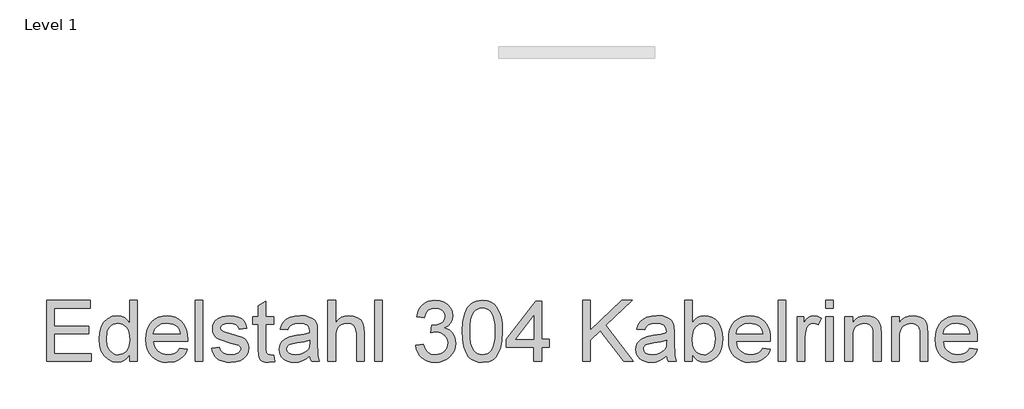
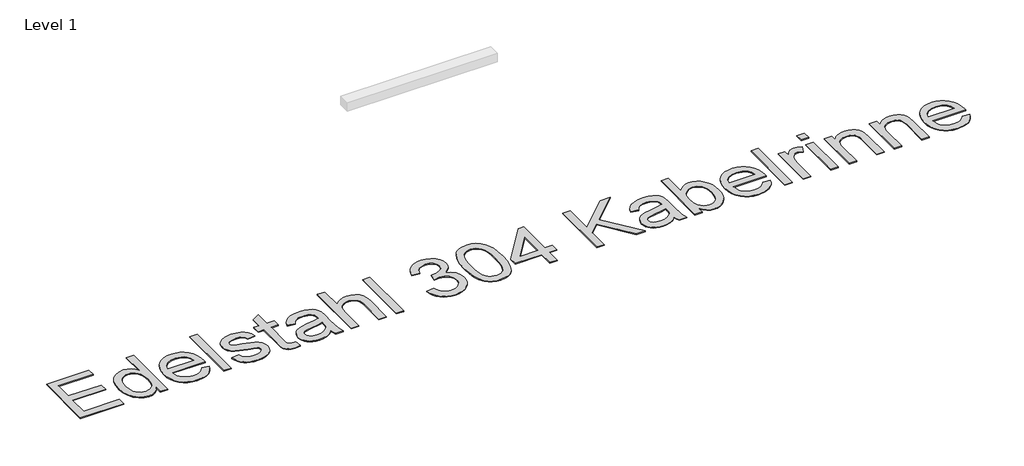
# One storey, part 13 of 15: 1 proxy.
"""IFC4 building model written with IfcOpenShell, lengths in millimetres."""

import ifcopenshell
import ifcopenshell.guid

model = None  # the IFC model being written
_history = None  # IfcOwnerHistory: only IFC2X3 demands one
_inside = {}  # id of a spatial element -> (the spatial element, [elements in it])
_under = {}  # id of a project, library or spatial element -> (it, [spatial elements below it])
_declared = {}  # id of a project -> (the project, [libraries it declares])
_typed = {}  # id of a type object -> (the type object, [elements of that type])
_made_of = {}  # id of a material, layer set ... -> (it, [elements and type objects made of it])


def new_model(schema):
    """Start an empty IFC model of exactly this schema.

    Asked for "IFC4X3", IfcOpenShell would pick the latest addendum, in which some entities
    have other attributes; the version numbers below select the first issue.
    IFC2X3 requires an IfcOwnerHistory on every rooted entity: one is made here for all.
    """
    global model, _history
    if schema == "IFC4X3":
        model = ifcopenshell.file(schema_version=(4, 3, 0, 0))
    else:
        model = ifcopenshell.file(schema=schema)
    _inside.clear()
    _under.clear()
    _declared.clear()
    _typed.clear()
    _made_of.clear()
    _history = None
    if model.schema == "IFC2X3":
        org = make("IfcOrganization", Name="unknown")
        user = make(
            "IfcPersonAndOrganization",
            ThePerson=make("IfcPerson", FamilyName="unknown"),
            TheOrganization=org,
        )
        app = make(
            "IfcApplication",
            ApplicationDeveloper=org,
            Version="unknown",
            ApplicationFullName="unknown",
            ApplicationIdentifier="unknown",
        )
        _history = make(
            "IfcOwnerHistory",
            OwningUser=user,
            OwningApplication=app,
            ChangeAction="ADDED",
            CreationDate=0,
        )
    return model


def make(cls, **values):
    """One entity of the class cls with the attributes given. An attribute that is None is left unset."""
    return model.create_entity(
        cls, **{name: value for name, value in values.items() if value is not None}
    )


def rooted(cls, **values):
    """An entity with a GlobalId (a new one), such as an element, a storey or a relation."""
    return make(cls, GlobalId=ifcopenshell.guid.new(), OwnerHistory=_history, **values)


def si_unit(unit_type, name, prefix=None):
    """IfcSIUnit, for example si_unit("LENGTHUNIT", "METRE", prefix="MILLI")."""
    return make("IfcSIUnit", UnitType=unit_type, Prefix=prefix, Name=name)


def assignment(units):
    """IfcUnitAssignment: the units of a project."""
    return None if units is None else make("IfcUnitAssignment", Units=units)


def point(xyz):
    """IfcCartesianPoint."""
    return None if xyz is None else make("IfcCartesianPoint", Coordinates=xyz)


def direction(xyz):
    """IfcDirection."""
    return None if xyz is None else make("IfcDirection", DirectionRatios=xyz)


def frame(location, z_axis=None, x_axis=None):
    """IfcAxis2Placement3D, a coordinate frame: its origin and axes. An axis left out is left unset."""
    return make(
        "IfcAxis2Placement3D",
        Location=point(location),
        Axis=direction(z_axis),
        RefDirection=direction(x_axis),
    )


def origin():
    """The frame at (0, 0, 0) with its axes left unset."""
    return frame((0.0, 0.0, 0.0))


def origin_with_axes():
    """The frame at (0, 0, 0) with the z axis (0, 0, 1) and the x axis (1, 0, 0) written out."""
    return frame((0.0, 0.0, 0.0), z_axis=(0.0, 0.0, 1.0), x_axis=(1.0, 0.0, 0.0))


def place(relative_to, where):
    """IfcLocalPlacement: puts the frame where relative to a parent placement (None: the world)."""
    return make(
        "IfcLocalPlacement", PlacementRelTo=relative_to, RelativePlacement=where
    )


def context(
    kind, dimensions, precision=None, world=None, true_north=None, identifier=None
):
    """IfcGeometricRepresentationContext, for example the 3D "Model" context."""
    return make(
        "IfcGeometricRepresentationContext",
        ContextIdentifier=identifier,
        ContextType=kind,
        CoordinateSpaceDimension=dimensions,
        Precision=precision,
        WorldCoordinateSystem=world,
        TrueNorth=true_north,
    )


def project(units=None, contexts=None):
    """IfcProject with its units and contexts."""
    return rooted(
        "IfcProject",
        Name="project",
        RepresentationContexts=contexts,
        UnitsInContext=assignment(units),
    )


def spatial(cls, under=None, at=None, **own):
    """A site, building, storey or space (cls), placed at a placement, below another one or the project."""
    s = rooted(cls, ObjectPlacement=at, **own)
    if under is not None:
        _under.setdefault(under.id(), (under, []))[1].append(s)
    return s


def polyline(points):
    """IfcPolyline through the points."""
    return make("IfcPolyline", Points=[point(p) for p in points])


def outline(outer, holes=None, kind="AREA"):
    """IfcArbitraryClosedProfileDef: a profile drawn as a closed curve; with holes, ...WithVoids."""
    if holes is None:
        return make("IfcArbitraryClosedProfileDef", ProfileType=kind, OuterCurve=outer)
    return make(
        "IfcArbitraryProfileDefWithVoids",
        ProfileType=kind,
        OuterCurve=outer,
        InnerCurves=holes,
    )


def extrude(swept, where, along, depth):
    """IfcExtrudedAreaSolid: the profile swept, set in the frame where, extruded along a direction by depth."""
    return make(
        "IfcExtrudedAreaSolid",
        SweptArea=swept,
        Position=where,
        ExtrudedDirection=direction(along),
        Depth=depth,
    )


def shape(context_of_items, identifier, shape_type, items):
    """IfcShapeRepresentation: the items that make up one representation, for example the "Body"."""
    return make(
        "IfcShapeRepresentation",
        ContextOfItems=context_of_items,
        RepresentationIdentifier=identifier,
        RepresentationType=shape_type,
        Items=items,
    )


def made_of(thing, what):
    """Note that an element or type object is made of a material, layer set ...; save() writes the relation."""
    if what is not None:
        _made_of.setdefault(what.id(), (what, []))[1].append(thing)
    return thing


def element(
    cls,
    number,
    at=None,
    inside=None,
    cuts=None,
    type_object=None,
    material=None,
    context=None,
    identifier="Body",
    shape_type=None,
    held_by="IfcProductDefinitionShape",
    body=None,
    shapes=None,
    **own,
):
    """One element of the class cls, such as IfcWall. Its Tag is "e" and its number.

    at: its placement. inside: the storey or other place that contains it. cuts: it is an
    opening in that element (IfcRelVoidsElement). A single representation is given by context,
    identifier, shape_type and body (its items); several are given by shapes. held_by: the class
    of the entity that holds the representations. save() writes the other relations.
    """
    e = rooted(cls, Tag="e%d" % number, ObjectPlacement=at, **own)
    if body is not None:
        shapes = [shape(context, identifier, shape_type, body)]
    if shapes is not None:
        e.Representation = make(held_by, Representations=shapes)
    if inside is not None:
        _inside.setdefault(inside.id(), (inside, []))[1].append(e)
    if cuts is not None:
        rooted(
            "IfcRelVoidsElement", RelatingBuildingElement=cuts, RelatedOpeningElement=e
        )
    if type_object is not None:
        _typed.setdefault(type_object.id(), (type_object, []))[1].append(e)
    return made_of(e, material)


def aggregate(whole, parts):
    """IfcRelAggregates: a whole, such as a stair, and the parts it consists of."""
    return rooted("IfcRelAggregates", RelatingObject=whole, RelatedObjects=parts)


def save(model, path):
    """Write the relations noted so far, then the file.

    IfcRelAggregates (storeys below a building ...), IfcRelContainedInSpatialStructure (elements
    in a storey), IfcRelDefinesByType, IfcRelAssociatesMaterial and IfcRelDeclares: one each for
    every whole, place, type object, material and project.
    """
    for whole, parts in _under.values():
        aggregate(whole, parts)
    for where, things in _inside.values():
        rooted(
            "IfcRelContainedInSpatialStructure",
            RelatedElements=things,
            RelatingStructure=where,
        )
    for kind, things in _typed.values():
        rooted("IfcRelDefinesByType", RelatedObjects=things, RelatingType=kind)
    for what, things in _made_of.values():
        rooted("IfcRelAssociatesMaterial", RelatedObjects=things, RelatingMaterial=what)
    for by, libraries in _declared.values():
        rooted("IfcRelDeclares", RelatingContext=by, RelatedDefinitions=libraries)
    model.write(path)


model = new_model("IFC4")

# Units and contexts
model_context = context("Model", 3, world=origin())
ifc_project = project(units=[si_unit("LENGTHUNIT", "METRE", prefix="MILLI")], contexts=[model_context])

# Site, building, storey
site = spatial("IfcSite", under=ifc_project)
building = spatial("IfcBuilding", under=site)
storey = spatial("IfcBuildingStorey", under=building, Name="Level 1", Elevation=0.0)

# Proxy
placement = place(None, origin())
element("IfcBuildingElementProxy", 1, Name="400mm", ObjectType="400mm", at=placement, inside=storey, context=model_context, shape_type="SweptSolid", body=[
    extrude(outline(polyline([(15184.5194115, -25416.2853679), (15184.5194115, -25024.5277921), (15466.0951691, -25024.5277921), (15466.0951691, -25073.4974891), (15233.4891085, -25073.4974891), (15233.4891085, -25189.8005194), (15453.8527449, -25189.8005194), (15453.8527449, -25238.7702163), (15233.4891085, -25238.7702163), (15233.4891085, -25367.3156709), (15472.2163812, -25367.3156709), (15472.2163812, -25416.2853679), (15184.5194115, -25416.2853679)])), origin_with_axes(), (0.0, 0.0, 1.0), 5.0),
    extrude(outline(polyline([(15717.0648661, -25416.2853679), (15717.0648661, -25370.0893451), (15702.4134101, -25392.9781354), (15684.6654816, -25409.3272713), (15663.8210806, -25419.1367528), (15639.880207, -25422.40658), (15608.2220631, -25417.672205), (15579.2419494, -25403.46908), (15554.709279, -25380.7895109), (15536.3934646, -25350.6258035), (15524.9879248, -25314.197418), (15521.1860782, -25272.7238148), (15524.6890375, -25231.7642978), (15535.1979153, -25194.7740042), (15552.7007562, -25163.8571008), (15577.1856047, -25141.1177542), (15606.7993595, -25127.1298281), (15639.6889191, -25122.467186), (15663.6477259, -25125.8027684), (15684.8328585, -25135.8095156), (15702.7900081, -25151.1484124), (15717.0648661, -25170.4804436), (15717.0648661, -25024.5277921), (15766.0345631, -25024.5277921), (15766.0345631, -25416.2853679), (15717.0648661, -25416.2853679)]), holes=[polyline([(15570.1557752, -25272.532527), (15575.6792127, -25316.8276264), (15582.5835095, -25334.1780348), (15592.2495252, -25348.3303489), (15616.3278869, -25367.1602495), (15629.8555266, -25371.8677246), (15644.3754721, -25373.436883), (15672.4111019, -25367.4471813), (15695.8797335, -25349.4780762), (15705.148229, -25335.9175589), (15711.7685829, -25319.1948139), (15717.0648661, -25276.2626406), (15711.672939, -25229.3253773), (15704.9330301, -25211.2546505), (15695.4971577, -25196.782527), (15684.0886291, -25185.6938077), (15671.4307515, -25177.773294), (15657.5235249, -25173.0209858), (15642.3669494, -25171.436883), (15627.560072, -25172.9582194), (15614.0324324, -25177.5222287), (15601.7840304, -25185.1289107), (15590.8148661, -25195.7782656), (15581.7765138, -25209.7034254), (15575.3205479, -25227.1375222), (15570.1557752, -25272.532527)])]), origin_with_axes(), (0.0, 0.0, 1.0), 5.0),
    extrude(outline(polyline([(16040.9152449, -25330.5883982), (16088.9285024, -25336.7096103), (16081.566908, -25355.9400198), (16071.6289049, -25372.8869304), (16059.1144932, -25387.5503418), (16044.0236729, -25399.9302542), (16026.5118654, -25409.7636467), (16006.734492, -25416.7874985), (15960.3830479, -25422.40658), (15929.9981639, -25419.9826039), (15902.9249513, -25412.7106756), (15879.1634101, -25400.5907952), (15858.7135403, -25383.6229626), (15842.2687605, -25362.2794197), (15830.5224892, -25337.0324086), (15823.4747264, -25307.8819292), (15821.1254721, -25274.8279815), (15823.4986374, -25240.6532064), (15830.6181331, -25210.5313432), (15842.4839594, -25184.462392), (15859.0961161, -25162.4463527), (15879.4921862, -25144.9554673), (15902.7097524, -25132.4619777), (15928.7488149, -25124.965884), (15957.6093737, -25122.467186), (15985.5403928, -25124.9599062), (16010.7993595, -25132.4380667), (16033.3862735, -25144.9016676), (16053.301135, -25162.3507088), (16069.5576158, -25184.3189261), (16081.1693879, -25210.3400554), (16088.1364511, -25240.4140966), (16090.4588055, -25274.5410497), (16090.1718737, -25287.7399133), (15870.0951691, -25287.7399133), (15872.9316097, -25307.2811657), (15878.5716132, -25324.3954531), (15887.0151798, -25339.0827755), (15898.2623093, -25351.343133), (15926.6805148, -25367.9134455), (15961.3394873, -25373.436883), (15987.4024608, -25370.8784076), (16009.3527449, -25363.2029815), (16027.1903396, -25349.9323849), (16040.9152449, -25330.5883982)]), holes=[polyline([(15870.0951691, -25238.7702163), (16041.4891085, -25238.7702163), (16034.8657657, -25212.8985307), (16021.8821009, -25194.3914285), (16008.5278159, -25184.3488148), (15993.332385, -25177.1755194), (15957.4180858, -25171.436883), (15924.4089712, -25176.0158366), (15897.114582, -25189.7526974), (15878.1412155, -25211.1649843), (15870.0951691, -25238.7702163)])]), origin_with_axes(), (0.0, 0.0, 1.0), 5.0),
    extrude(outline(polyline([(16139.4285024, -25416.2853679), (16139.4285024, -25024.5277921), (16188.3981994, -25024.5277921), (16188.3981994, -25416.2853679), (16139.4285024, -25416.2853679)])), origin_with_axes(), (0.0, 0.0, 1.0), 5.0),
    extrude(outline(polyline([(16243.4891085, -25330.5883982), (16292.4588055, -25324.467186), (16300.1820536, -25345.4132088), (16315.1264191, -25360.811883), (16337.387546, -25370.280633), (16367.0610782, -25373.436883), (16396.3759456, -25370.5436538), (16416.9872146, -25361.8639663), (16429.1818168, -25349.2867883), (16433.2466843, -25334.7010876), (16429.1579059, -25322.2195535), (16416.8915706, -25312.7029815), (16366.4872146, -25298.7389663), (16292.7457373, -25274.7801595), (16274.0832136, -25262.7409787), (16260.5615517, -25246.8043073), (16252.3481284, -25227.9863622), (16249.6103206, -25207.3033603), (16251.8101312, -25188.3299938), (16258.4095631, -25170.8151974), (16268.8108415, -25155.4523896), (16282.4161918, -25142.9349891), (16313.5482941, -25128.4449323), (16355.6794494, -25122.467186), (16387.5527922, -25124.87024), (16415.2656237, -25132.079402), (16437.5506615, -25143.3892978), (16453.1406237, -25158.0945535), (16463.4701691, -25177.2831188), (16469.973957, -25202.0429436), (16421.00426, -25208.1641557), (16414.8232704, -25192.753526), (16402.5928017, -25181.1447429), (16384.1932988, -25173.863848), (16359.505207, -25171.436883), (16331.3858888, -25173.7562485), (16312.6396767, -25180.7143451), (16302.0949324, -25190.7569588), (16298.5800176, -25202.3298754), (16304.4142979, -25216.5808224), (16322.6822903, -25227.3885876), (16364.8612676, -25237.813777), (16436.7376881, -25260.8639663), (16455.72301, -25271.8869304), (16470.1174229, -25286.9747618), (16479.1916417, -25306.1752826), (16482.2163812, -25329.5363148), (16478.6656, -25353.6864095), (16468.0132562, -25376.4018451), (16450.6658367, -25395.9012533), (16427.0298282, -25410.4032656), (16398.4801123, -25419.4057514), (16366.3915706, -25422.40658), (16340.0356876, -25420.9599654), (16317.0153869, -25416.6201216), (16297.3306686, -25409.3870487), (16280.9815327, -25399.2607466), (16267.6272477, -25386.2890374), (16256.927082, -25370.5197429), (16248.8810356, -25351.9528631), (16243.4891085, -25330.5883982)])), origin_with_axes(), (0.0, 0.0, 1.0), 5.0),
    extrude(outline(polyline([(16641.3678964, -25375.4454057), (16647.4891085, -25417.720027), (16610.8574797, -25422.40658), (16587.3529816, -25420.3741463), (16569.8262297, -25414.2768451), (16557.4403396, -25404.8798281), (16549.3584267, -25392.9482466), (16544.9109835, -25372.4565326), (16543.4285024, -25337.3791179), (16543.4285024, -25177.5580951), (16506.7012297, -25177.5580951), (16506.7012297, -25128.5883982), (16543.4285024, -25128.5883982), (16543.4285024, -25058.6726785), (16592.3981994, -25029.8838527), (16592.3981994, -25128.5883982), (16641.3678964, -25128.5883982), (16641.3678964, -25177.5580951), (16592.3981994, -25177.5580951), (16592.3981994, -25335.9444588), (16594.9805858, -25361.1944588), (16603.3494305, -25370.1371671), (16620.0392979, -25373.436883), (16641.3678964, -25375.4454057)])), origin_with_axes(), (0.0, 0.0, 1.0), 5.0),
    extrude(outline(polyline([(16873.973957, -25379.5580951), (16850.5770583, -25399.6194114), (16826.4867411, -25412.7465421), (16801.1530526, -25419.9915705), (16774.0260403, -25422.40658), (16752.222211, -25420.9539877), (16733.1023898, -25416.5962107), (16716.6665765, -25409.333249), (16702.9147714, -25399.1651027), (16692.0561954, -25386.7373683), (16684.3000697, -25372.6956425), (16679.6463943, -25357.0399252), (16678.0951691, -25339.7702163), (16680.4384456, -25319.4697902), (16687.4682752, -25301.0344209), (16698.3119068, -25285.2531709), (16712.0965896, -25272.9151027), (16746.3849418, -25256.8469209), (16788.755207, -25249.4823376), (16838.8248093, -25241.7351785), (16873.6870252, -25232.6490042), (16873.973957, -25221.7455951), (16870.6025081, -25199.890955), (16860.4881615, -25185.592186), (16837.8683699, -25174.9757088), (16806.3536918, -25171.436883), (16777.1822903, -25173.792115), (16756.8101312, -25180.857811), (16742.917849, -25193.9251643), (16733.1860782, -25214.2853679), (16684.2163812, -25208.1641557), (16692.7167363, -25181.3838527), (16705.4015138, -25160.342186), (16723.4543074, -25144.2500932), (16748.0587108, -25132.3185118), (16778.1506852, -25124.9300175), (16812.6661918, -25122.467186), (16845.7709504, -25124.6430857), (16872.0132562, -25131.1707845), (16891.7995962, -25140.9862438), (16905.536457, -25153.0254247), (16914.6465422, -25167.9100127), (16920.5525555, -25186.2616936), (16922.943654, -25229.1101785), (16922.943654, -25290.0353679), (16925.4303964, -25375.110652), (16935.1860782, -25416.2853679), (16886.2163812, -25416.2853679), (16878.3735782, -25399.2607466), (16873.973957, -25379.5580951)]), holes=[polyline([(16873.973957, -25281.6187012), (16841.0724418, -25289.772347), (16794.9720631, -25296.6347997), (16752.8409077, -25304.5732466), (16741.8777212, -25310.0010402), (16733.7599418, -25317.4851785), (16728.738635, -25326.4517978), (16727.0648661, -25336.3270345), (16730.7112913, -25350.8888243), (16741.6505668, -25362.8204057), (16759.6435829, -25370.7827637), (16784.4512297, -25373.436883), (16810.7533131, -25370.5077874), (16833.9947903, -25361.7205004), (16852.8366464, -25348.7727021), (16865.9398661, -25333.3620724), (16871.7502354, -25317.4851785), (16873.6870252, -25295.4870724), (16873.973957, -25281.6187012)])]), origin_with_axes(), (0.0, 0.0, 1.0), 5.0),
    extrude(outline(polyline([(16990.2769873, -25416.2853679), (16990.2769873, -25024.5277921), (17039.2466843, -25024.5277921), (17039.2466843, -25168.5675648), (17057.2337226, -25148.3986491), (17077.4325271, -25133.9922807), (17099.8430976, -25125.3484597), (17124.4654343, -25122.467186), (17154.0433225, -25125.6114805), (17179.4606994, -25135.0443641), (17199.4741937, -25150.0245961), (17212.8404343, -25169.810936), (17220.3723945, -25196.9977258), (17222.8830479, -25234.1793073), (17222.8830479, -25416.2853679), (17173.9133509, -25416.2853679), (17173.9133509, -25239.248436), (17170.0158604, -25208.5945535), (17158.3233888, -25187.6007088), (17139.4815327, -25175.4778395), (17114.1358888, -25171.436883), (17093.4409314, -25174.1627353), (17074.0132562, -25182.3402921), (17057.9211634, -25195.180491), (17047.2329532, -25211.8942694), (17041.2432515, -25234.1075743), (17039.2466843, -25263.4463527), (17039.2466843, -25416.2853679), (16990.2769873, -25416.2853679)])), origin_with_axes(), (0.0, 0.0, 1.0), 5.0),
    extrude(outline(polyline([(17290.2163812, -25416.2853679), (17290.2163812, -25024.5277921), (17339.1860782, -25024.5277921), (17339.1860782, -25416.2853679), (17290.2163812, -25416.2853679)])), origin_with_axes(), (0.0, 0.0, 1.0), 5.0),
    extrude(outline(polyline([(17553.4285024, -25312.2247618), (17602.3981994, -25306.1035497), (17613.361386, -25336.8769872), (17629.4176123, -25357.655633), (17651.3559409, -25369.4915705), (17679.9654343, -25373.436883), (17713.536457, -25368.0090895), (17727.4526502, -25361.2243475), (17739.4559646, -25351.7257088), (17756.0262771, -25327.4321482), (17761.5497146, -25297.9738148), (17756.074099, -25270.009918), (17739.6472524, -25247.3303489), (17714.7798282, -25232.3022949), (17683.9824797, -25227.2929436), (17649.6463055, -25232.6490042), (17655.09801, -25183.6793073), (17662.9408131, -25184.2531709), (17692.2795915, -25180.7382561), (17718.5099418, -25170.1935118), (17729.3057515, -25162.2191984), (17737.0170441, -25152.3559171), (17741.6438197, -25140.603668), (17743.1860782, -25126.9624512), (17738.714724, -25105.8131851), (17725.3006615, -25088.6570535), (17704.8328585, -25077.2873802), (17679.2002827, -25073.4974891), (17653.519885, -25077.3232466), (17632.5260403, -25088.8005194), (17617.199099, -25107.9293073), (17608.5194115, -25134.7096103), (17559.5497146, -25128.5883982), (17565.3541061, -25105.2094327), (17573.9680384, -25084.616097), (17585.3915114, -25066.8083911), (17599.6245252, -25051.7863148), (17616.2187487, -25039.8607111), (17634.7258509, -25031.3424228), (17655.145832, -25026.2314498), (17677.4786918, -25024.5277921), (17708.2640848, -25027.8872855), (17736.5388244, -25037.9657656), (17760.3780763, -25053.8665705), (17777.8570062, -25074.6930383), (17788.5810829, -25098.6877116), (17792.1557752, -25124.093133), (17788.7604153, -25147.765008), (17778.5743358, -25169.2370724), (17761.7410024, -25187.5289758), (17738.4038812, -25201.6603679), (17769.0577638, -25214.046258), (17791.7731994, -25235.1357466), (17805.8328585, -25263.7811065), (17810.5194115, -25298.8346103), (17808.176135, -25323.6781235), (17801.1463055, -25346.560936), (17789.4299229, -25367.4830478), (17773.0269873, -25386.4444588), (17753.0433817, -25402.1778868), (17730.5849892, -25413.4160497), (17705.6518097, -25420.1589474), (17678.2438434, -25422.40658), (17653.4720631, -25420.4877234), (17630.9000934, -25414.7311538), (17610.5279343, -25405.1368712), (17592.3555858, -25391.7048754), (17577.1183107, -25375.2242291), (17565.5513718, -25356.4839948), (17557.654769, -25335.4841723), (17553.4285024, -25312.2247618)])), origin_with_axes(), (0.0, 0.0, 1.0), 5.0),
    extrude(outline(polyline([(17853.3678964, -25223.56283), (17856.9664996, -25160.8562722), (17867.7623093, -25110.8464474), (17885.6477259, -25072.768204), (17897.2086871, -25057.9164936), (17910.5151502, -25045.8563906), (17925.6119482, -25036.5251288), (17942.5439144, -25029.8599417), (17981.9133509, -25024.5277921), (18012.0890138, -25027.6840421), (18039.1084267, -25037.1527921), (18061.7043074, -25052.5634218), (18078.6093737, -25073.545311), (18091.3778396, -25099.9191273), (18101.5639191, -25131.5055383), (18108.2350839, -25171.6162154), (18110.4588055, -25223.56283), (18106.8960687, -25285.910723), (18096.2078585, -25335.8009929), (18078.4300413, -25373.9151027), (18066.89598, -25388.8116463), (18053.5984835, -25400.9345156), (18038.4837522, -25410.3285438), (18021.4979863, -25417.0385639), (17981.9133509, -25422.40658), (17954.94176, -25420.075259), (17931.0307752, -25413.0812959), (17910.1803964, -25401.4246908), (17892.3906237, -25385.1054436), (17875.3181805, -25355.6052661), (17863.1235782, -25318.8481046), (17855.8068168, -25274.8339592), (17853.3678964, -25223.56283)]), holes=[polyline([(17902.3375934, -25223.467186), (17903.7722524, -25266.0377057), (17908.0762297, -25300.4964237), (17915.2495252, -25326.8433402), (17925.2921388, -25345.078455), (17937.4389191, -25357.4852672), (17950.9247146, -25366.347276), (17965.7495252, -25371.6644813), (17981.9133509, -25373.436883), (17998.0771767, -25371.6585035), (18012.9019873, -25366.323365), (18026.3877827, -25357.4314675), (18038.5345631, -25344.982811), (18048.5771767, -25326.7178075), (18055.7504721, -25300.3768688), (18060.0544494, -25265.959995), (18061.4891085, -25223.467186), (18060.1022714, -25182.0234716), (18055.94176, -25148.1714948), (18049.0075744, -25121.9112556), (18039.2997146, -25103.2427542), (18027.3561776, -25090.2292007), (18013.7149608, -25080.9338054), (17998.376064, -25075.3565681), (17981.3394873, -25073.4974891), (17965.25935, -25075.1353915), (17950.6856047, -25080.0490989), (17937.6182515, -25088.2386112), (17926.0572903, -25099.7039285), (17915.6799229, -25120.0282656), (17908.2675176, -25147.4302542), (17903.8200744, -25181.9098944), (17902.3375934, -25223.467186)])]), origin_with_axes(), (0.0, 0.0, 1.0), 5.0),
    extrude(outline(polyline([(18312.4588055, -25416.2853679), (18312.4588055, -25324.467186), (18134.943654, -25324.467186), (18134.943654, -25275.4974891), (18324.7012297, -25030.6490042), (18361.4285024, -25030.6490042), (18361.4285024, -25275.4974891), (18410.3981994, -25275.4974891), (18410.3981994, -25324.467186), (18361.4285024, -25324.467186), (18361.4285024, -25416.2853679), (18312.4588055, -25416.2853679)]), holes=[polyline([(18312.4588055, -25275.4974891), (18312.4588055, -25124.188777), (18195.1993358, -25275.4974891), (18312.4588055, -25275.4974891)])]), origin_with_axes(), (0.0, 0.0, 1.0), 5.0),
    extrude(outline(polyline([(18624.6406237, -25416.2853679), (18624.6406237, -25024.5277921), (18673.6103206, -25024.5277921), (18673.6103206, -25216.2938906), (18874.4625934, -25024.5277921), (18942.943654, -25024.5277921), (18774.3233888, -25185.592186), (18949.0648661, -25416.2853679), (18889.19176, -25416.2853679), (18739.6046388, -25218.6849891), (18673.6103206, -25281.6187012), (18673.6103206, -25416.2853679), (18624.6406237, -25416.2853679)])), origin_with_axes(), (0.0, 0.0, 1.0), 5.0),
    extrude(outline(polyline([(19163.3072903, -25379.5580951), (19139.9103917, -25399.6194114), (19115.8200744, -25412.7465421), (19090.486386, -25419.9915705), (19063.3593737, -25422.40658), (19041.5555443, -25420.9539877), (19022.4357231, -25416.5962107), (19005.9999099, -25409.333249), (18992.2481047, -25399.1651027), (18981.3895287, -25386.7373683), (18973.633403, -25372.6956425), (18968.9797276, -25357.0399252), (18967.4285024, -25339.7702163), (18969.771779, -25319.4697902), (18976.8016085, -25301.0344209), (18987.6452401, -25285.2531709), (19001.4299229, -25272.9151027), (19035.7182752, -25256.8469209), (19078.0885403, -25249.4823376), (19128.1581426, -25241.7351785), (19163.0203585, -25232.6490042), (19163.3072903, -25221.7455951), (19159.9358415, -25199.890955), (19149.8214949, -25185.592186), (19127.2017032, -25174.9757088), (19095.6870252, -25171.436883), (19066.5156237, -25173.792115), (19046.1434646, -25180.857811), (19032.2511824, -25193.9251643), (19022.5194115, -25214.2853679), (18973.5497146, -25208.1641557), (18982.0500697, -25181.3838527), (18994.7348471, -25160.342186), (19012.7876407, -25144.2500932), (19037.3920441, -25132.3185118), (19067.4840185, -25124.9300175), (19101.9995252, -25122.467186), (19135.1042837, -25124.6430857), (19161.3465896, -25131.1707845), (19181.1329295, -25140.9862438), (19194.8697903, -25153.0254247), (19203.9798756, -25167.9100127), (19209.8858888, -25186.2616936), (19212.2769873, -25229.1101785), (19212.2769873, -25290.0353679), (19214.7637297, -25375.110652), (19224.5194115, -25416.2853679), (19175.5497146, -25416.2853679), (19167.7069115, -25399.2607466), (19163.3072903, -25379.5580951)]), holes=[polyline([(19163.3072903, -25281.6187012), (19130.4057752, -25289.772347), (19084.3053964, -25296.6347997), (19042.1742411, -25304.5732466), (19031.2110545, -25310.0010402), (19023.0932752, -25317.4851785), (19018.0719684, -25326.4517978), (19016.3981994, -25336.3270345), (19020.0446246, -25350.8888243), (19030.9839002, -25362.8204057), (19048.9769163, -25370.7827637), (19073.7845631, -25373.436883), (19100.0866464, -25370.5077874), (19123.3281237, -25361.7205004), (19142.1699797, -25348.7727021), (19155.2731994, -25333.3620724), (19161.0835687, -25317.4851785), (19163.0203585, -25295.4870724), (19163.3072903, -25281.6187012)])]), origin_with_axes(), (0.0, 0.0, 1.0), 5.0),
    extrude(outline(polyline([(19328.5800176, -25416.2853679), (19279.6103206, -25416.2853679), (19279.6103206, -25024.5277921), (19328.5800176, -25024.5277921), (19328.5800176, -25169.810936), (19344.6840659, -25149.0980454), (19362.8683699, -25134.3031235), (19383.1329295, -25125.4261704), (19405.4777449, -25122.467186), (19430.7038339, -25125.1332609), (19454.5430858, -25133.1314853), (19475.6325744, -25145.9597287), (19492.6093737, -25163.1158603), (19505.9158367, -25184.4325033), (19515.9943168, -25209.7422807), (19522.3426833, -25237.9931093), (19524.4588055, -25268.1329057), (19522.2679615, -25302.9114332), (19515.6954295, -25333.5055383), (19504.7412096, -25359.9152211), (19489.4053017, -25382.1404815), (19470.9968322, -25399.7568996), (19450.8249276, -25412.3400554), (19428.8895879, -25419.8899488), (19405.1908131, -25422.40658), (19382.1107349, -25419.1606638), (19361.6489096, -25409.4229152), (19343.8053372, -25393.1933342), (19328.5800176, -25370.4719209), (19328.5800176, -25416.2853679)]), holes=[polyline([(19328.5800176, -25270.4283603), (19331.9275555, -25311.2683224), (19341.9701691, -25338.9094209), (19353.8359953, -25354.0151856), (19367.6266559, -25364.8050175), (19383.3421506, -25371.2789166), (19400.9824797, -25373.436883), (19415.6279579, -25371.8468025), (19429.2452638, -25367.076561), (19453.3953585, -25347.9955951), (19463.0613741, -25333.7147594), (19469.965671, -25316.3135402), (19475.4891085, -25272.1499512), (19470.1928254, -25227.3407656), (19463.5724714, -25209.9933461), (19454.3039759, -25196.0173754), (19430.9070773, -25177.5820061), (19417.5498033, -25172.9731638), (19403.0866464, -25171.436883), (19388.4411682, -25173.0269635), (19374.8238623, -25177.797205), (19350.6737676, -25196.8781709), (19341.007752, -25211.0155407), (19334.1034551, -25227.9863622), (19328.5800176, -25270.4283603)])]), origin_with_axes(), (0.0, 0.0, 1.0), 5.0),
    extrude(outline(polyline([(19780.9758509, -25330.5883982), (19828.9891085, -25336.7096103), (19821.627514, -25355.9400198), (19811.689511, -25372.8869304), (19799.1750993, -25387.5503418), (19784.084279, -25399.9302542), (19766.5724714, -25409.7636467), (19746.7950981, -25416.7874985), (19700.443654, -25422.40658), (19670.05877, -25419.9826039), (19642.9855574, -25412.7106756), (19619.2240162, -25400.5907952), (19598.7741464, -25383.6229626), (19582.3293666, -25362.2794197), (19570.5830952, -25337.0324086), (19563.5353325, -25307.8819292), (19561.1860782, -25274.8279815), (19563.5592434, -25240.6532064), (19570.6787392, -25210.5313432), (19582.5445654, -25184.462392), (19599.1567221, -25162.4463527), (19619.5527922, -25144.9554673), (19642.7703585, -25132.4619777), (19668.809421, -25124.965884), (19697.6699797, -25122.467186), (19725.6009989, -25124.9599062), (19750.8599655, -25132.4380667), (19773.4468796, -25144.9016676), (19793.3617411, -25162.3507088), (19809.6182219, -25184.3189261), (19821.2299939, -25210.3400554), (19828.1970571, -25240.4140966), (19830.5194115, -25274.5410497), (19830.2324797, -25287.7399133), (19610.1557752, -25287.7399133), (19612.9922158, -25307.2811657), (19618.6322193, -25324.3954531), (19627.0757858, -25339.0827755), (19638.3229153, -25351.343133), (19666.7411208, -25367.9134455), (19701.4000934, -25373.436883), (19727.4630668, -25370.8784076), (19749.4133509, -25363.2029815), (19767.2509456, -25349.9323849), (19780.9758509, -25330.5883982)]), holes=[polyline([(19610.1557752, -25238.7702163), (19781.5497146, -25238.7702163), (19774.9263718, -25212.8985307), (19761.942707, -25194.3914285), (19748.588422, -25184.3488148), (19733.3929911, -25177.1755194), (19697.4786918, -25171.436883), (19664.4695773, -25176.0158366), (19637.1751881, -25189.7526974), (19618.2018216, -25211.1649843), (19610.1557752, -25238.7702163)])]), origin_with_axes(), (0.0, 0.0, 1.0), 5.0),
    extrude(outline(polyline([(19879.4891085, -25416.2853679), (19879.4891085, -25024.5277921), (19928.4588055, -25024.5277921), (19928.4588055, -25416.2853679), (19879.4891085, -25416.2853679)])), origin_with_axes(), (0.0, 0.0, 1.0), 5.0),
    extrude(outline(polyline([(20001.9133509, -25416.2853679), (20001.9133509, -25128.5883982), (20044.7618358, -25128.5883982), (20044.7618358, -25171.1499512), (20060.5909077, -25146.4738148), (20075.1766085, -25131.935936), (20089.8101312, -25124.8343735), (20105.7826691, -25122.467186), (20130.1718737, -25126.2451216), (20154.943654, -25137.5789285), (20138.5885403, -25181.4794966), (20121.3726312, -25173.9475364), (20104.1567221, -25171.436883), (20089.5351549, -25173.8518925), (20076.4678017, -25181.0969209), (20065.9111019, -25192.6220156), (20058.8214949, -25207.8772239), (20052.8676596, -25235.2313906), (20050.8830479, -25265.0722997), (20050.8830479, -25416.2853679), (20001.9133509, -25416.2853679)])), origin_with_axes(), (0.0, 0.0, 1.0), 5.0),
    extrude(outline(polyline([(20185.5497146, -25416.2853679), (20185.5497146, -25128.5883982), (20234.5194115, -25128.5883982), (20234.5194115, -25416.2853679), (20185.5497146, -25416.2853679)])), origin_with_axes(), (0.0, 0.0, 1.0), 5.0),
    extrude(outline(polyline([(20185.5497146, -25073.4974891), (20185.5497146, -25024.5277921), (20234.5194115, -25024.5277921), (20234.5194115, -25073.4974891), (20185.5497146, -25073.4974891)])), origin_with_axes(), (0.0, 0.0, 1.0), 5.0),
    extrude(outline(polyline([(20307.973957, -25416.2853679), (20307.973957, -25128.5883982), (20356.943654, -25128.5883982), (20356.943654, -25168.7588527), (20373.9563197, -25148.5062485), (20394.3882562, -25134.0401027), (20418.2394636, -25125.3604152), (20445.5099418, -25122.467186), (20469.648081, -25124.7985071), (20491.7537865, -25131.7924701), (20510.1891559, -25142.5763243), (20523.3162865, -25156.2773186), (20532.2231284, -25172.8595866), (20537.9976312, -25192.2872618), (20540.5800176, -25239.6310118), (20540.5800176, -25416.2853679), (20491.6103206, -25416.2853679), (20491.6103206, -25246.2304436), (20490.1995725, -25220.9087107), (20485.9673282, -25202.9037391), (20478.1603917, -25190.0037627), (20466.0255668, -25179.9970156), (20450.4714712, -25173.5769162), (20432.4067221, -25171.436883), (20403.7254958, -25176.242991), (20379.2765138, -25190.6613148), (20369.5058876, -25202.4314971), (20362.5268689, -25218.5176122), (20358.3394577, -25238.91966), (20356.943654, -25263.6376406), (20356.943654, -25416.2853679), (20307.973957, -25416.2853679)])), origin_with_axes(), (0.0, 0.0, 1.0), 5.0),
    extrude(outline(polyline([(20607.9133509, -25416.2853679), (20607.9133509, -25128.5883982), (20656.8830479, -25128.5883982), (20656.8830479, -25168.7588527), (20673.8957136, -25148.5062485), (20694.3276502, -25134.0401027), (20718.1788576, -25125.3604152), (20745.4493358, -25122.467186), (20769.587475, -25124.7985071), (20791.6931805, -25131.7924701), (20810.1285498, -25142.5763243), (20823.2556805, -25156.2773186), (20832.1625223, -25172.8595866), (20837.9370252, -25192.2872618), (20840.5194115, -25239.6310118), (20840.5194115, -25416.2853679), (20791.5497146, -25416.2853679), (20791.5497146, -25246.2304436), (20790.1389665, -25220.9087107), (20785.9067221, -25202.9037391), (20778.0997856, -25190.0037627), (20765.9649608, -25179.9970156), (20750.4108651, -25173.5769162), (20732.3461161, -25171.436883), (20703.6648898, -25176.242991), (20679.2159077, -25190.6613148), (20669.4452816, -25202.4314971), (20662.4662629, -25218.5176122), (20658.2788516, -25238.91966), (20656.8830479, -25263.6376406), (20656.8830479, -25416.2853679), (20607.9133509, -25416.2853679)])), origin_with_axes(), (0.0, 0.0, 1.0), 5.0),
    extrude(outline(polyline([(21109.2788812, -25330.5883982), (21157.2921388, -25336.7096103), (21149.9305443, -25355.9400198), (21139.9925413, -25372.8869304), (21127.4781296, -25387.5503418), (21112.3873093, -25399.9302542), (21094.8755017, -25409.7636467), (21075.0981284, -25416.7874985), (21028.7466843, -25422.40658), (20998.3618003, -25419.9826039), (20971.2885877, -25412.7106756), (20947.5270465, -25400.5907952), (20927.0771767, -25383.6229626), (20910.6323969, -25362.2794197), (20898.8861256, -25337.0324086), (20891.8383628, -25307.8819292), (20889.4891085, -25274.8279815), (20891.8622738, -25240.6532064), (20898.9817695, -25210.5313432), (20910.8475957, -25184.462392), (20927.4597524, -25162.4463527), (20947.8558225, -25144.9554673), (20971.0733888, -25132.4619777), (20997.1124513, -25124.965884), (21025.97301, -25122.467186), (21053.9040292, -25124.9599062), (21079.1629958, -25132.4380667), (21101.7499099, -25144.9016676), (21121.6647714, -25162.3507088), (21137.9212522, -25184.3189261), (21149.5330242, -25210.3400554), (21156.5000874, -25240.4140966), (21158.8224418, -25274.5410497), (21158.53551, -25287.7399133), (20938.4588055, -25287.7399133), (20941.2952461, -25307.2811657), (20946.9352496, -25324.3954531), (20955.3788161, -25339.0827755), (20966.6259456, -25351.343133), (20995.0441511, -25367.9134455), (21029.7031237, -25373.436883), (21055.7660971, -25370.8784076), (21077.7163812, -25363.2029815), (21095.5539759, -25349.9323849), (21109.2788812, -25330.5883982)]), holes=[polyline([(20938.4588055, -25238.7702163), (21109.8527449, -25238.7702163), (21103.2294021, -25212.8985307), (21090.2457373, -25194.3914285), (21076.8914523, -25184.3488148), (21061.6960214, -25177.1755194), (21025.7817221, -25171.436883), (20992.7726076, -25176.0158366), (20965.4782184, -25189.7526974), (20946.5048519, -25211.1649843), (20938.4588055, -25238.7702163)])]), origin_with_axes(), (0.0, 0.0, 1.0), 5.0),
])

save(model, "model.ifc")
